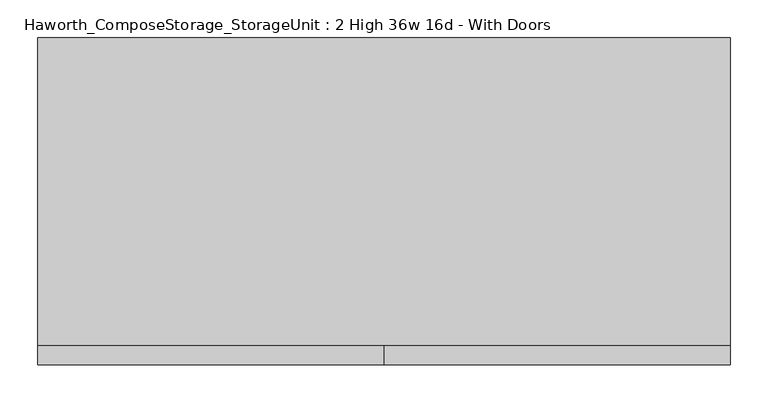
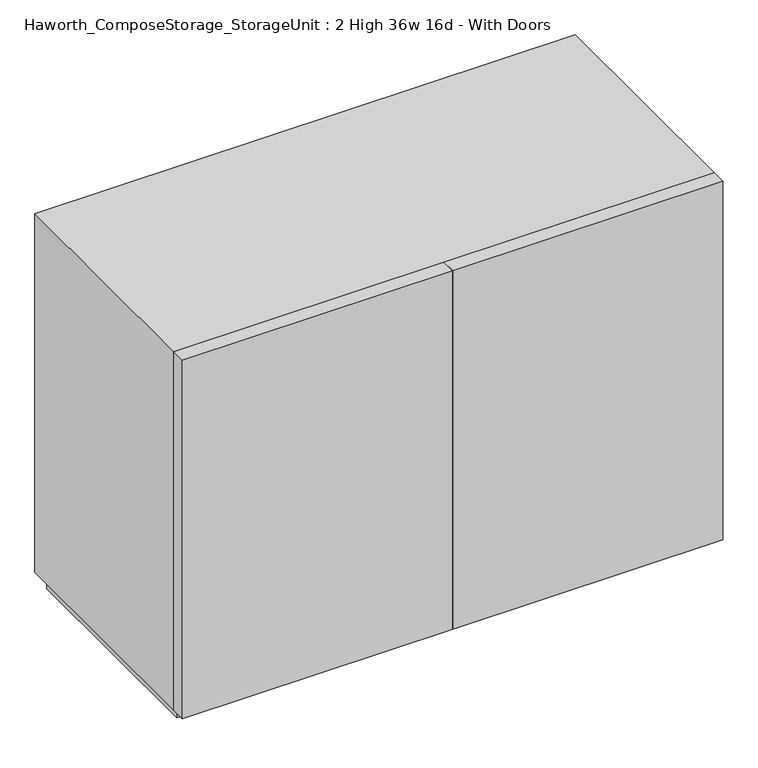
"""IFC4 building model written with IfcOpenShell, lengths in millimetres: furniture geometry, Haworth_ComposeStorage_StorageUnit : 2 High 36w 16d - With Doors."""

from ifc_helpers import new_model, si_unit, frame, origin, origin_with_axes, place, context, project, spatial, polyline, outline, extrude, source, transform, mapped, element, save


def haworth_composestorage_storageunit_2_high_36w_16d_with_doors_eeaca8f9(model_context):
    return source(origin(), model_context, "Body", "SweptSolid", [
        extrude(outline(polyline([(438.1569453, 219.075), (438.1569453, -152.4), (-438.1291641, -152.4), (-438.1291641, 219.075), (438.1569453, 219.075)])), frame((0.0, 0.0, 336.55), z_axis=(0.0, 0.0, 1.0), x_axis=(1.0, 0.0, 0.0)), (0.0, 0.0, 1.0), 19.05),
        extrude(outline(polyline([(0.0138906, -177.8), (0.0138906, -152.4), (457.2138906, -152.4), (457.2138906, -177.8), (0.0138906, -177.8)])), frame((0.0, 0.0, 25.4), z_axis=(0.0, 0.0, 1.0), x_axis=(1.0, 0.0, 0.0)), (0.0, 0.0, 1.0), 641.35),
        extrude(outline(polyline([(0.0138906, -177.8), (-457.1861094, -177.8), (-457.1861094, -152.4), (0.0138906, -152.4), (0.0138906, -177.8)])), frame((0.0, 0.0, 25.4), z_axis=(0.0, 0.0, 1.0), x_axis=(1.0, 0.0, 0.0)), (0.0, 0.0, 1.0), 641.35),
        extrude(outline(polyline([(25.4, -457.1861094), (25.4, 457.2138906), (666.75, 457.2138906), (666.75, -457.1861094), (25.4, -457.1861094)]), holes=[polyline([(44.45, -438.1361094), (647.7, -438.1361094), (647.7, 438.1569453), (44.45, 438.1569453), (44.45, -438.1361094)])]), frame((0.0, -152.4, 0.0), z_axis=(0.0, 1.0, 0.0), x_axis=(0.0, 0.0, 1.0)), (0.0, 0.0, 1.0), 406.4),
        extrude(outline(polyline([(-438.1291641, 219.075), (-438.1291641, 228.6), (438.1569453, 228.6), (438.1569453, 219.075), (-438.1291641, 219.075)])), frame((0.0, 0.0, 44.45), z_axis=(0.0, 0.0, 1.0), x_axis=(1.0, 0.0, 0.0)), (0.0, 0.0, 1.0), 603.25),
        extrude(outline(polyline([(444.5138906, -139.7), (-444.4861094, -139.7), (-444.4861094, 241.3), (444.5138906, 241.3), (444.5138906, -139.7)])), origin_with_axes(), (0.0, 0.0, 1.0), 25.4),
    ])


if __name__ == "__main__":
    model = new_model("IFC4")
    model_context = context("Model", 3, world=origin())
    ifc_project = project(units=[si_unit("LENGTHUNIT", "METRE", prefix="MILLI")], contexts=[model_context])
    site = spatial("IfcSite", under=ifc_project)
    building = spatial("IfcBuilding", under=site)
    placement = place(None, origin())
    haworth_composestorage_storageunit_2_high_36w_16d_with_doors_shape = haworth_composestorage_storageunit_2_high_36w_16d_with_doors_eeaca8f9(model_context)
    element("IfcFurniture", 1, ObjectType="Haworth_ComposeStorage_StorageUnit : 2 High 36w 16d - With Doors", at=placement, inside=building, context=model_context, shape_type="MappedRepresentation", body=[
        mapped(haworth_composestorage_storageunit_2_high_36w_16d_with_doors_shape, transform((0.0, 0.0, 0.0), x_axis=(1.0, 0.0, 0.0), y_axis=(0.0, 1.0, 0.0), z_axis=(0.0, 0.0, 1.0))),
    ])
    save(model, "model.ifc")
